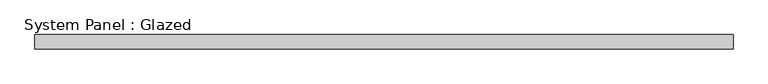
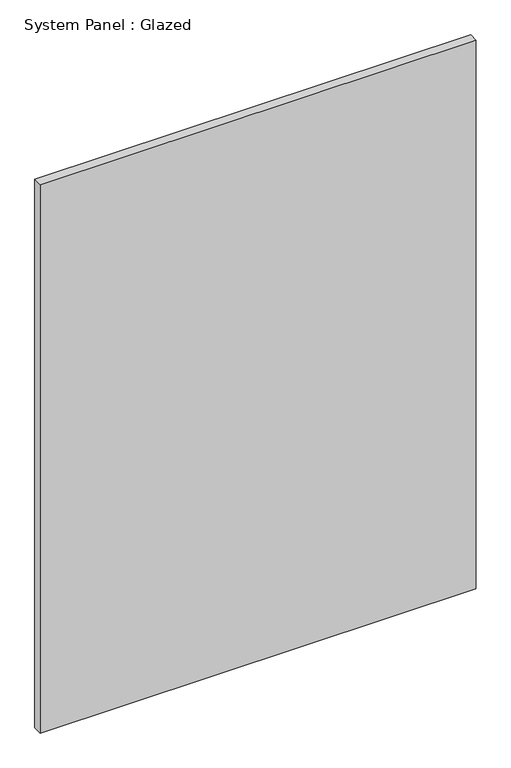
"""IFC4 building model written with IfcOpenShell, lengths in millimetres: plate geometry, System Panel : Glazed."""

import ifcopenshell
import ifcopenshell.guid

model = None  # the IFC model being written
_history = None  # IfcOwnerHistory: only IFC2X3 demands one
_inside = {}  # id of a spatial element -> (the spatial element, [elements in it])
_under = {}  # id of a project, library or spatial element -> (it, [spatial elements below it])
_declared = {}  # id of a project -> (the project, [libraries it declares])
_typed = {}  # id of a type object -> (the type object, [elements of that type])
_made_of = {}  # id of a material, layer set ... -> (it, [elements and type objects made of it])


def new_model(schema):
    """Start an empty IFC model of exactly this schema.

    Asked for "IFC4X3", IfcOpenShell would pick the latest addendum, in which some entities
    have other attributes; the version numbers below select the first issue.
    IFC2X3 requires an IfcOwnerHistory on every rooted entity: one is made here for all.
    """
    global model, _history
    if schema == "IFC4X3":
        model = ifcopenshell.file(schema_version=(4, 3, 0, 0))
    else:
        model = ifcopenshell.file(schema=schema)
    _inside.clear()
    _under.clear()
    _declared.clear()
    _typed.clear()
    _made_of.clear()
    _history = None
    if model.schema == "IFC2X3":
        org = make("IfcOrganization", Name="unknown")
        user = make(
            "IfcPersonAndOrganization",
            ThePerson=make("IfcPerson", FamilyName="unknown"),
            TheOrganization=org,
        )
        app = make(
            "IfcApplication",
            ApplicationDeveloper=org,
            Version="unknown",
            ApplicationFullName="unknown",
            ApplicationIdentifier="unknown",
        )
        _history = make(
            "IfcOwnerHistory",
            OwningUser=user,
            OwningApplication=app,
            ChangeAction="ADDED",
            CreationDate=0,
        )
    return model


def make(cls, **values):
    """One entity of the class cls with the attributes given. An attribute that is None is left unset."""
    return model.create_entity(
        cls, **{name: value for name, value in values.items() if value is not None}
    )


def rooted(cls, **values):
    """An entity with a GlobalId (a new one), such as an element, a storey or a relation."""
    return make(cls, GlobalId=ifcopenshell.guid.new(), OwnerHistory=_history, **values)


def si_unit(unit_type, name, prefix=None):
    """IfcSIUnit, for example si_unit("LENGTHUNIT", "METRE", prefix="MILLI")."""
    return make("IfcSIUnit", UnitType=unit_type, Prefix=prefix, Name=name)


def assignment(units):
    """IfcUnitAssignment: the units of a project."""
    return None if units is None else make("IfcUnitAssignment", Units=units)


def point(xyz):
    """IfcCartesianPoint."""
    return None if xyz is None else make("IfcCartesianPoint", Coordinates=xyz)


def direction(xyz):
    """IfcDirection."""
    return None if xyz is None else make("IfcDirection", DirectionRatios=xyz)


def frame(location, z_axis=None, x_axis=None):
    """IfcAxis2Placement3D, a coordinate frame: its origin and axes. An axis left out is left unset."""
    return make(
        "IfcAxis2Placement3D",
        Location=point(location),
        Axis=direction(z_axis),
        RefDirection=direction(x_axis),
    )


def origin():
    """The frame at (0, 0, 0) with its axes left unset."""
    return frame((0.0, 0.0, 0.0))


def origin_with_axes():
    """The frame at (0, 0, 0) with the z axis (0, 0, 1) and the x axis (1, 0, 0) written out."""
    return frame((0.0, 0.0, 0.0), z_axis=(0.0, 0.0, 1.0), x_axis=(1.0, 0.0, 0.0))


def place(relative_to, where):
    """IfcLocalPlacement: puts the frame where relative to a parent placement (None: the world)."""
    return make(
        "IfcLocalPlacement", PlacementRelTo=relative_to, RelativePlacement=where
    )


def context(
    kind, dimensions, precision=None, world=None, true_north=None, identifier=None
):
    """IfcGeometricRepresentationContext, for example the 3D "Model" context."""
    return make(
        "IfcGeometricRepresentationContext",
        ContextIdentifier=identifier,
        ContextType=kind,
        CoordinateSpaceDimension=dimensions,
        Precision=precision,
        WorldCoordinateSystem=world,
        TrueNorth=true_north,
    )


def project(units=None, contexts=None):
    """IfcProject with its units and contexts."""
    return rooted(
        "IfcProject",
        Name="project",
        RepresentationContexts=contexts,
        UnitsInContext=assignment(units),
    )


def spatial(cls, under=None, at=None, **own):
    """A site, building, storey or space (cls), placed at a placement, below another one or the project."""
    s = rooted(cls, ObjectPlacement=at, **own)
    if under is not None:
        _under.setdefault(under.id(), (under, []))[1].append(s)
    return s


def polyline(points):
    """IfcPolyline through the points."""
    return make("IfcPolyline", Points=[point(p) for p in points])


def outline(outer, holes=None, kind="AREA"):
    """IfcArbitraryClosedProfileDef: a profile drawn as a closed curve; with holes, ...WithVoids."""
    if holes is None:
        return make("IfcArbitraryClosedProfileDef", ProfileType=kind, OuterCurve=outer)
    return make(
        "IfcArbitraryProfileDefWithVoids",
        ProfileType=kind,
        OuterCurve=outer,
        InnerCurves=holes,
    )


def extrude(swept, where, along, depth):
    """IfcExtrudedAreaSolid: the profile swept, set in the frame where, extruded along a direction by depth."""
    return make(
        "IfcExtrudedAreaSolid",
        SweptArea=swept,
        Position=where,
        ExtrudedDirection=direction(along),
        Depth=depth,
    )


def shape(context_of_items, identifier, shape_type, items):
    """IfcShapeRepresentation: the items that make up one representation, for example the "Body"."""
    return make(
        "IfcShapeRepresentation",
        ContextOfItems=context_of_items,
        RepresentationIdentifier=identifier,
        RepresentationType=shape_type,
        Items=items,
    )


def source(mapping_origin, context_of_items, identifier, shape_type, items):
    """IfcRepresentationMap: a shape defined once, which mapped items show again and again."""
    return make(
        "IfcRepresentationMap",
        MappingOrigin=mapping_origin,
        MappedRepresentation=shape(context_of_items, identifier, shape_type, items),
    )


def transform(
    local_origin,
    x_axis=None,
    y_axis=None,
    z_axis=None,
    scale=None,
    scale2=None,
    scale3=None,
    uniform=True,
):
    """IfcCartesianTransformationOperator3D, or its non-uniform kind. x_axis, y_axis, z_axis: its Axis1, 2, 3."""
    if uniform:
        return make(
            "IfcCartesianTransformationOperator3D",
            Axis1=direction(x_axis),
            Axis2=direction(y_axis),
            LocalOrigin=point(local_origin),
            Scale=scale,
            Axis3=direction(z_axis),
        )
    return make(
        "IfcCartesianTransformationOperator3DnonUniform",
        Axis1=direction(x_axis),
        Axis2=direction(y_axis),
        LocalOrigin=point(local_origin),
        Scale=scale,
        Axis3=direction(z_axis),
        Scale2=scale2,
        Scale3=scale3,
    )


def mapped(mapping_source, mapping_target):
    """IfcMappedItem: shows the shape of a source again, moved by a transform."""
    return make(
        "IfcMappedItem", MappingSource=mapping_source, MappingTarget=mapping_target
    )


def made_of(thing, what):
    """Note that an element or type object is made of a material, layer set ...; save() writes the relation."""
    if what is not None:
        _made_of.setdefault(what.id(), (what, []))[1].append(thing)
    return thing


def element(
    cls,
    number,
    at=None,
    inside=None,
    cuts=None,
    type_object=None,
    material=None,
    context=None,
    identifier="Body",
    shape_type=None,
    held_by="IfcProductDefinitionShape",
    body=None,
    shapes=None,
    **own,
):
    """One element of the class cls, such as IfcWall. Its Tag is "e" and its number.

    at: its placement. inside: the storey or other place that contains it. cuts: it is an
    opening in that element (IfcRelVoidsElement). A single representation is given by context,
    identifier, shape_type and body (its items); several are given by shapes. held_by: the class
    of the entity that holds the representations. save() writes the other relations.
    """
    e = rooted(cls, Tag="e%d" % number, ObjectPlacement=at, **own)
    if body is not None:
        shapes = [shape(context, identifier, shape_type, body)]
    if shapes is not None:
        e.Representation = make(held_by, Representations=shapes)
    if inside is not None:
        _inside.setdefault(inside.id(), (inside, []))[1].append(e)
    if cuts is not None:
        rooted(
            "IfcRelVoidsElement", RelatingBuildingElement=cuts, RelatedOpeningElement=e
        )
    if type_object is not None:
        _typed.setdefault(type_object.id(), (type_object, []))[1].append(e)
    return made_of(e, material)


def aggregate(whole, parts):
    """IfcRelAggregates: a whole, such as a stair, and the parts it consists of."""
    return rooted("IfcRelAggregates", RelatingObject=whole, RelatedObjects=parts)


def save(model, path):
    """Write the relations noted so far, then the file.

    IfcRelAggregates (storeys below a building ...), IfcRelContainedInSpatialStructure (elements
    in a storey), IfcRelDefinesByType, IfcRelAssociatesMaterial and IfcRelDeclares: one each for
    every whole, place, type object, material and project.
    """
    for whole, parts in _under.values():
        aggregate(whole, parts)
    for where, things in _inside.values():
        rooted(
            "IfcRelContainedInSpatialStructure",
            RelatedElements=things,
            RelatingStructure=where,
        )
    for kind, things in _typed.values():
        rooted("IfcRelDefinesByType", RelatedObjects=things, RelatingType=kind)
    for what, things in _made_of.values():
        rooted("IfcRelAssociatesMaterial", RelatedObjects=things, RelatingMaterial=what)
    for by, libraries in _declared.values():
        rooted("IfcRelDeclares", RelatingContext=by, RelatedDefinitions=libraries)
    model.write(path)


def system_panel_glazed_1004c4b6(model_context):
    return source(origin(), model_context, "Body", "SweptSolid", [
        extrude(outline(polyline([(611.4840124, -12.7), (-611.4840124, -12.7), (-611.4840124, 12.7), (611.4840124, 12.7), (611.4840124, -12.7)])), origin_with_axes(), (0.0, 0.0, 1.0), 1625.6),
    ])


if __name__ == "__main__":
    model = new_model("IFC4")
    model_context = context("Model", 3, world=origin())
    ifc_project = project(units=[si_unit("LENGTHUNIT", "METRE", prefix="MILLI")], contexts=[model_context])
    site = spatial("IfcSite", under=ifc_project)
    building = spatial("IfcBuilding", under=site)
    placement = place(None, origin())
    system_panel_glazed_shape = system_panel_glazed_1004c4b6(model_context)
    element("IfcPlate", 1, ObjectType="System Panel : Glazed", at=placement, inside=building, context=model_context, shape_type="MappedRepresentation", body=[
        mapped(system_panel_glazed_shape, transform((0.0, 0.0, 0.0), x_axis=(1.0, 0.0, 0.0), y_axis=(0.0, 1.0, 0.0), z_axis=(0.0, 0.0, 1.0))),
    ])
    save(model, "model.ifc")
